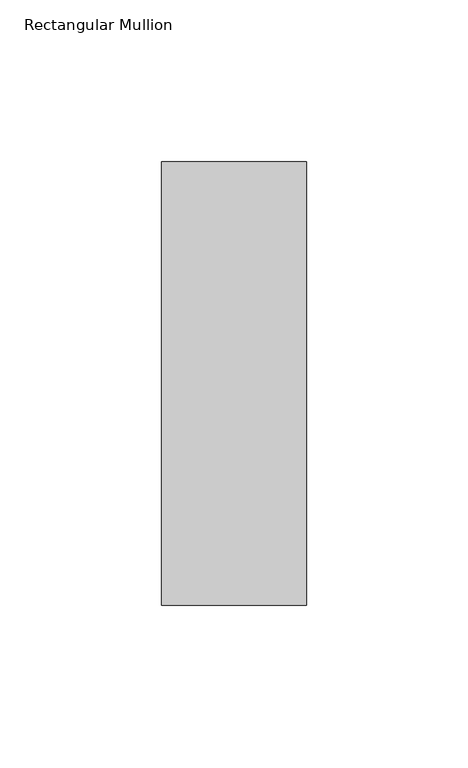
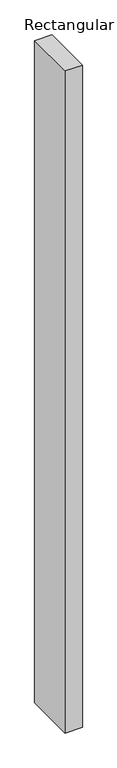
"""IFC4 building model written with IfcOpenShell, lengths in millimetres: member geometry, Rectangular Mullion."""

import ifcopenshell
import ifcopenshell.guid

model = None  # the IFC model being written
_history = None  # IfcOwnerHistory: only IFC2X3 demands one
_inside = {}  # id of a spatial element -> (the spatial element, [elements in it])
_under = {}  # id of a project, library or spatial element -> (it, [spatial elements below it])
_declared = {}  # id of a project -> (the project, [libraries it declares])
_typed = {}  # id of a type object -> (the type object, [elements of that type])
_made_of = {}  # id of a material, layer set ... -> (it, [elements and type objects made of it])


def new_model(schema):
    """Start an empty IFC model of exactly this schema.

    Asked for "IFC4X3", IfcOpenShell would pick the latest addendum, in which some entities
    have other attributes; the version numbers below select the first issue.
    IFC2X3 requires an IfcOwnerHistory on every rooted entity: one is made here for all.
    """
    global model, _history
    if schema == "IFC4X3":
        model = ifcopenshell.file(schema_version=(4, 3, 0, 0))
    else:
        model = ifcopenshell.file(schema=schema)
    _inside.clear()
    _under.clear()
    _declared.clear()
    _typed.clear()
    _made_of.clear()
    _history = None
    if model.schema == "IFC2X3":
        org = make("IfcOrganization", Name="unknown")
        user = make(
            "IfcPersonAndOrganization",
            ThePerson=make("IfcPerson", FamilyName="unknown"),
            TheOrganization=org,
        )
        app = make(
            "IfcApplication",
            ApplicationDeveloper=org,
            Version="unknown",
            ApplicationFullName="unknown",
            ApplicationIdentifier="unknown",
        )
        _history = make(
            "IfcOwnerHistory",
            OwningUser=user,
            OwningApplication=app,
            ChangeAction="ADDED",
            CreationDate=0,
        )
    return model


def make(cls, **values):
    """One entity of the class cls with the attributes given. An attribute that is None is left unset."""
    return model.create_entity(
        cls, **{name: value for name, value in values.items() if value is not None}
    )


def rooted(cls, **values):
    """An entity with a GlobalId (a new one), such as an element, a storey or a relation."""
    return make(cls, GlobalId=ifcopenshell.guid.new(), OwnerHistory=_history, **values)


def si_unit(unit_type, name, prefix=None):
    """IfcSIUnit, for example si_unit("LENGTHUNIT", "METRE", prefix="MILLI")."""
    return make("IfcSIUnit", UnitType=unit_type, Prefix=prefix, Name=name)


def assignment(units):
    """IfcUnitAssignment: the units of a project."""
    return None if units is None else make("IfcUnitAssignment", Units=units)


def point(xyz):
    """IfcCartesianPoint."""
    return None if xyz is None else make("IfcCartesianPoint", Coordinates=xyz)


def direction(xyz):
    """IfcDirection."""
    return None if xyz is None else make("IfcDirection", DirectionRatios=xyz)


def frame(location, z_axis=None, x_axis=None):
    """IfcAxis2Placement3D, a coordinate frame: its origin and axes. An axis left out is left unset."""
    return make(
        "IfcAxis2Placement3D",
        Location=point(location),
        Axis=direction(z_axis),
        RefDirection=direction(x_axis),
    )


def origin():
    """The frame at (0, 0, 0) with its axes left unset."""
    return frame((0.0, 0.0, 0.0))


def place(relative_to, where):
    """IfcLocalPlacement: puts the frame where relative to a parent placement (None: the world)."""
    return make(
        "IfcLocalPlacement", PlacementRelTo=relative_to, RelativePlacement=where
    )


def context(
    kind, dimensions, precision=None, world=None, true_north=None, identifier=None
):
    """IfcGeometricRepresentationContext, for example the 3D "Model" context."""
    return make(
        "IfcGeometricRepresentationContext",
        ContextIdentifier=identifier,
        ContextType=kind,
        CoordinateSpaceDimension=dimensions,
        Precision=precision,
        WorldCoordinateSystem=world,
        TrueNorth=true_north,
    )


def project(units=None, contexts=None):
    """IfcProject with its units and contexts."""
    return rooted(
        "IfcProject",
        Name="project",
        RepresentationContexts=contexts,
        UnitsInContext=assignment(units),
    )


def spatial(cls, under=None, at=None, **own):
    """A site, building, storey or space (cls), placed at a placement, below another one or the project."""
    s = rooted(cls, ObjectPlacement=at, **own)
    if under is not None:
        _under.setdefault(under.id(), (under, []))[1].append(s)
    return s


def polyline(points):
    """IfcPolyline through the points."""
    return make("IfcPolyline", Points=[point(p) for p in points])


def outline(outer, holes=None, kind="AREA"):
    """IfcArbitraryClosedProfileDef: a profile drawn as a closed curve; with holes, ...WithVoids."""
    if holes is None:
        return make("IfcArbitraryClosedProfileDef", ProfileType=kind, OuterCurve=outer)
    return make(
        "IfcArbitraryProfileDefWithVoids",
        ProfileType=kind,
        OuterCurve=outer,
        InnerCurves=holes,
    )


def extrude(swept, where, along, depth):
    """IfcExtrudedAreaSolid: the profile swept, set in the frame where, extruded along a direction by depth."""
    return make(
        "IfcExtrudedAreaSolid",
        SweptArea=swept,
        Position=where,
        ExtrudedDirection=direction(along),
        Depth=depth,
    )


def shape(context_of_items, identifier, shape_type, items):
    """IfcShapeRepresentation: the items that make up one representation, for example the "Body"."""
    return make(
        "IfcShapeRepresentation",
        ContextOfItems=context_of_items,
        RepresentationIdentifier=identifier,
        RepresentationType=shape_type,
        Items=items,
    )


def source(mapping_origin, context_of_items, identifier, shape_type, items):
    """IfcRepresentationMap: a shape defined once, which mapped items show again and again."""
    return make(
        "IfcRepresentationMap",
        MappingOrigin=mapping_origin,
        MappedRepresentation=shape(context_of_items, identifier, shape_type, items),
    )


def transform(
    local_origin,
    x_axis=None,
    y_axis=None,
    z_axis=None,
    scale=None,
    scale2=None,
    scale3=None,
    uniform=True,
):
    """IfcCartesianTransformationOperator3D, or its non-uniform kind. x_axis, y_axis, z_axis: its Axis1, 2, 3."""
    if uniform:
        return make(
            "IfcCartesianTransformationOperator3D",
            Axis1=direction(x_axis),
            Axis2=direction(y_axis),
            LocalOrigin=point(local_origin),
            Scale=scale,
            Axis3=direction(z_axis),
        )
    return make(
        "IfcCartesianTransformationOperator3DnonUniform",
        Axis1=direction(x_axis),
        Axis2=direction(y_axis),
        LocalOrigin=point(local_origin),
        Scale=scale,
        Axis3=direction(z_axis),
        Scale2=scale2,
        Scale3=scale3,
    )


def mapped(mapping_source, mapping_target):
    """IfcMappedItem: shows the shape of a source again, moved by a transform."""
    return make(
        "IfcMappedItem", MappingSource=mapping_source, MappingTarget=mapping_target
    )


def made_of(thing, what):
    """Note that an element or type object is made of a material, layer set ...; save() writes the relation."""
    if what is not None:
        _made_of.setdefault(what.id(), (what, []))[1].append(thing)
    return thing


def element(
    cls,
    number,
    at=None,
    inside=None,
    cuts=None,
    type_object=None,
    material=None,
    context=None,
    identifier="Body",
    shape_type=None,
    held_by="IfcProductDefinitionShape",
    body=None,
    shapes=None,
    **own,
):
    """One element of the class cls, such as IfcWall. Its Tag is "e" and its number.

    at: its placement. inside: the storey or other place that contains it. cuts: it is an
    opening in that element (IfcRelVoidsElement). A single representation is given by context,
    identifier, shape_type and body (its items); several are given by shapes. held_by: the class
    of the entity that holds the representations. save() writes the other relations.
    """
    e = rooted(cls, Tag="e%d" % number, ObjectPlacement=at, **own)
    if body is not None:
        shapes = [shape(context, identifier, shape_type, body)]
    if shapes is not None:
        e.Representation = make(held_by, Representations=shapes)
    if inside is not None:
        _inside.setdefault(inside.id(), (inside, []))[1].append(e)
    if cuts is not None:
        rooted(
            "IfcRelVoidsElement", RelatingBuildingElement=cuts, RelatedOpeningElement=e
        )
    if type_object is not None:
        _typed.setdefault(type_object.id(), (type_object, []))[1].append(e)
    return made_of(e, material)


def aggregate(whole, parts):
    """IfcRelAggregates: a whole, such as a stair, and the parts it consists of."""
    return rooted("IfcRelAggregates", RelatingObject=whole, RelatedObjects=parts)


def save(model, path):
    """Write the relations noted so far, then the file.

    IfcRelAggregates (storeys below a building ...), IfcRelContainedInSpatialStructure (elements
    in a storey), IfcRelDefinesByType, IfcRelAssociatesMaterial and IfcRelDeclares: one each for
    every whole, place, type object, material and project.
    """
    for whole, parts in _under.values():
        aggregate(whole, parts)
    for where, things in _inside.values():
        rooted(
            "IfcRelContainedInSpatialStructure",
            RelatedElements=things,
            RelatingStructure=where,
        )
    for kind, things in _typed.values():
        rooted("IfcRelDefinesByType", RelatedObjects=things, RelatingType=kind)
    for what, things in _made_of.values():
        rooted("IfcRelAssociatesMaterial", RelatedObjects=things, RelatingMaterial=what)
    for by, libraries in _declared.values():
        rooted("IfcRelDeclares", RelatingContext=by, RelatedDefinitions=libraries)
    model.write(path)


def rectangular_mullion_377609b5(model_context):
    return source(origin(), model_context, "Body", "SweptSolid", [
        extrude(outline(polyline([(0.0, 84.19375), (0.0, -53.19375), (-45.0, -53.19375), (-45.0, 84.19375), (0.0, 84.19375)])), frame((0.0, 0.0, -1828.8), z_axis=(0.0, 0.0, 1.0), x_axis=(1.0, 0.0, 0.0)), (0.0, 0.0, 1.0), 1828.8),
    ])


if __name__ == "__main__":
    model = new_model("IFC4")
    model_context = context("Model", 3, world=origin())
    ifc_project = project(units=[si_unit("LENGTHUNIT", "METRE", prefix="MILLI")], contexts=[model_context])
    site = spatial("IfcSite", under=ifc_project)
    building = spatial("IfcBuilding", under=site)
    placement = place(None, origin())
    rectangular_mullion_shape = rectangular_mullion_377609b5(model_context)
    element("IfcMember", 1, ObjectType="Rectangular Mullion", at=placement, inside=building, context=model_context, shape_type="MappedRepresentation", body=[
        mapped(rectangular_mullion_shape, transform((0.0, 0.0, 0.0), x_axis=(1.0, 0.0, 0.0), y_axis=(0.0, 1.0, 0.0), z_axis=(0.0, 0.0, 1.0))),
    ])
    save(model, "model.ifc")
